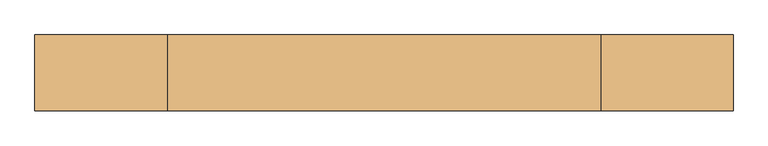
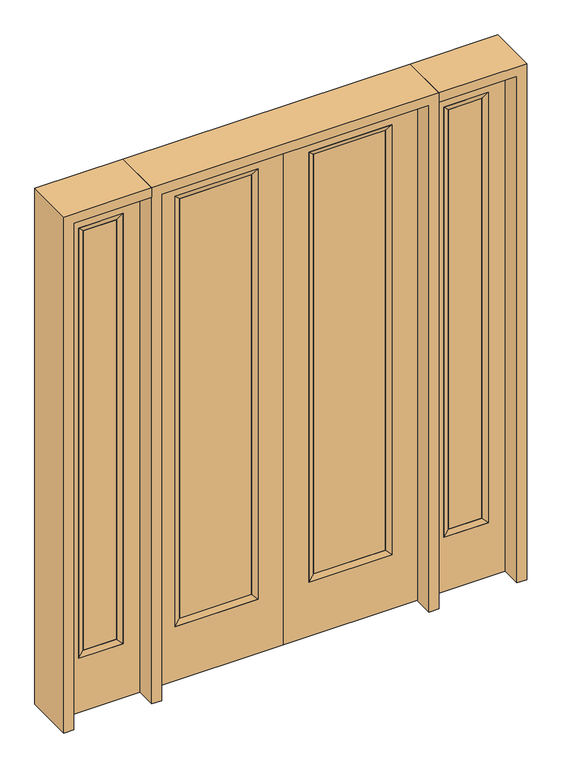
"""IFC4 building model written with IfcOpenShell, lengths in millimetres: door geometry."""

from ifc_helpers import new_model, si_unit, frame, origin, place, context, project, spatial, polyline, outline, extrude, faceted_brep, source, transform, mapped, element, save


def door_573c15c6(model_context):
    return source(origin(), model_context, "Body", "SolidModel", [
        extrude(outline(polyline([(140.8176, -12.7039749), (140.8176, 14.2875), (468.7824, 14.2875), (468.7824, -12.7039749), (140.8176, -12.7039749)])), frame((0.0, 0.0, 285.75), z_axis=(0.0, 0.0, 1.0), x_axis=(1.0, 0.0, 0.0)), (0.0, 0.0, 1.0), 2019.3),
        faceted_brep([(140.8176, 14.2875, 2305.05), (140.8176, 14.2875, 285.75), (115.4176, 22.225, 260.35), (115.4176, 22.225, 2330.45), (115.4176, -22.225, 260.35), (115.4176, -22.225, 2330.45), (468.7824, 14.2875, 285.75), (494.1824, 22.225, 260.35), (140.8176, -12.7039749, 2305.05), (140.8176, -12.7039749, 285.75), (468.7824, -12.7039749, 285.75), (494.1824, -22.225, 260.35), (468.7824, 14.2875, 2305.05), (494.1824, 22.225, 2330.45), (468.7824, -12.7039749, 2305.05), (494.1824, -22.225, 2330.45)], [[[0, 1, 2, 3]], [[3, 2, 4, 5]], [[1, 6, 7, 2]], [[8, 9, 1, 0]], [[9, 10, 6, 1]], [[5, 4, 9, 8]], [[4, 11, 10, 9]], [[2, 7, 11, 4]], [[6, 12, 13, 7]], [[10, 14, 12, 6]], [[11, 15, 14, 10]], [[7, 13, 15, 11]], [[12, 0, 3, 13]], [[14, 8, 0, 12]], [[15, 5, 8, 14]], [[13, 3, 5, 15]]]),
        extrude(outline(polyline([(0.0, 609.6), (2438.4, 609.6), (2438.4, 0.0), (0.0, 0.0), (0.0, 609.6)]), holes=[polyline([(260.35, 494.1824), (260.35, 115.4176), (2330.45, 115.4176), (2330.45, 494.1824), (260.35, 494.1824)])]), frame((0.0, -22.225, 0.0), z_axis=(0.0, 1.0, 0.0), x_axis=(0.0, 0.0, 1.0)), (0.0, 0.0, 1.0), 44.45),
        extrude(outline(polyline([(-140.8176, -12.7039749), (-468.7824, -12.7039749), (-468.7824, 14.2875), (-140.8176, 14.2875), (-140.8176, -12.7039749)])), frame((0.0, 0.0, 285.75), z_axis=(0.0, 0.0, 1.0), x_axis=(1.0, 0.0, 0.0)), (0.0, 0.0, 1.0), 2019.3),
        faceted_brep([(-140.8176, 14.2875, 2305.05), (-115.4176, 22.225, 2330.45), (-115.4176, 22.225, 260.35), (-140.8176, 14.2875, 285.75), (-115.4176, -22.225, 2330.45), (-115.4176, -22.225, 260.35), (-494.1824, 22.225, 260.35), (-468.7824, 14.2875, 285.75), (-140.8176, -12.7039749, 2305.05), (-140.8176, -12.7039749, 285.75), (-468.7824, -12.7039749, 285.75), (-494.1824, -22.225, 260.35), (-494.1824, 22.225, 2330.45), (-468.7824, 14.2875, 2305.05), (-468.7824, -12.7039749, 2305.05), (-494.1824, -22.225, 2330.45)], [[[0, 1, 2, 3]], [[1, 4, 5, 2]], [[3, 2, 6, 7]], [[8, 0, 3, 9]], [[9, 3, 7, 10]], [[4, 8, 9, 5]], [[5, 9, 10, 11]], [[2, 5, 11, 6]], [[7, 6, 12, 13]], [[10, 7, 13, 14]], [[11, 10, 14, 15]], [[6, 11, 15, 12]], [[13, 12, 1, 0]], [[14, 13, 0, 8]], [[15, 14, 8, 4]], [[12, 15, 4, 1]]]),
        extrude(outline(polyline([(0.0, -609.6), (0.0, 0.0), (2438.4, 0.0), (2438.4, -609.6), (0.0, -609.6)]), holes=[polyline([(260.35, -494.1824), (2330.45, -494.1824), (2330.45, -115.4176), (260.35, -115.4176), (260.35, -494.1824)])]), frame((0.0, -22.225, 0.0), z_axis=(0.0, 1.0, 0.0), x_axis=(0.0, 0.0, 1.0)), (0.0, 0.0, 1.0), 44.45),
        faceted_brep([(730.25, 20.6375, 2330.45), (730.25, 20.6375, 260.35), (730.25, -20.6375, 260.35), (730.25, -20.6375, 2330.45), (755.65, -12.7, 285.75), (755.65, -12.7, 2305.05), (933.45, 20.6375, 260.35), (933.45, -20.6375, 260.35), (755.65, 12.7, 2305.05), (755.65, 12.7, 285.75), (908.05, 12.7, 285.75), (908.05, -12.7, 285.75), (933.45, 20.6375, 2330.45), (933.45, -20.6375, 2330.45), (908.05, 12.7, 2305.05), (908.05, -12.7, 2305.05)], [[[0, 1, 2, 3]], [[3, 2, 4, 5]], [[1, 6, 7, 2]], [[8, 9, 1, 0]], [[9, 10, 6, 1]], [[5, 4, 9, 8]], [[4, 11, 10, 9]], [[2, 7, 11, 4]], [[6, 12, 13, 7]], [[10, 14, 12, 6]], [[11, 15, 14, 10]], [[7, 13, 15, 11]], [[12, 0, 3, 13]], [[14, 8, 0, 12]], [[15, 5, 8, 14]], [[13, 3, 5, 15]]]),
        extrude(outline(polyline([(0.0, 1009.65), (2438.4, 1009.65), (2438.4, 654.05), (0.0, 654.05), (0.0, 1009.65)]), holes=[polyline([(2330.45, 730.25), (2330.45, 933.45), (260.35, 933.45), (260.35, 730.25), (2330.45, 730.25)])]), frame((0.0, -20.6375, 0.0), z_axis=(0.0, 1.0, 0.0), x_axis=(0.0, 0.0, 1.0)), (0.0, 0.0, 1.0), 41.275),
        extrude(outline(polyline([(755.65, -12.7), (755.65, 12.7), (908.05, 12.7), (908.05, -12.7), (755.65, -12.7)])), frame((0.0, 0.0, 285.75), z_axis=(0.0, 0.0, 1.0), x_axis=(1.0, 0.0, 0.0)), (0.0, 0.0, 1.0), 2019.3),
        faceted_brep([(-730.25, 20.6375, 2330.45), (-730.25, -20.6375, 2330.45), (-730.25, -20.6375, 260.35), (-730.25, 20.6375, 260.35), (-755.65, -12.7, 2305.05), (-755.65, -12.7, 285.75), (-933.45, -20.6375, 260.35), (-933.45, 20.6375, 260.35), (-755.65, 12.7, 2305.05), (-755.65, 12.7, 285.75), (-908.05, 12.7, 285.75), (-908.05, -12.7, 285.75), (-933.45, -20.6375, 2330.45), (-933.45, 20.6375, 2330.45), (-908.05, 12.7, 2305.05), (-908.05, -12.7, 2305.05)], [[[0, 1, 2, 3]], [[1, 4, 5, 2]], [[3, 2, 6, 7]], [[8, 0, 3, 9]], [[9, 3, 7, 10]], [[4, 8, 9, 5]], [[5, 9, 10, 11]], [[2, 5, 11, 6]], [[7, 6, 12, 13]], [[10, 7, 13, 14]], [[11, 10, 14, 15]], [[6, 11, 15, 12]], [[13, 12, 1, 0]], [[14, 13, 0, 8]], [[15, 14, 8, 4]], [[12, 15, 4, 1]]]),
        extrude(outline(polyline([(0.0, -1009.65), (0.0, -654.05), (2438.4, -654.05), (2438.4, -1009.65), (0.0, -1009.65)]), holes=[polyline([(2330.45, -730.25), (260.35, -730.25), (260.35, -933.45), (2330.45, -933.45), (2330.45, -730.25)])]), frame((0.0, -20.6375, 0.0), z_axis=(0.0, 1.0, 0.0), x_axis=(0.0, 0.0, 1.0)), (0.0, 0.0, 1.0), 41.275),
        extrude(outline(polyline([(-755.65, -12.7), (-908.05, -12.7), (-908.05, 12.7), (-755.65, 12.7), (-755.65, -12.7)])), frame((0.0, 0.0, 285.75), z_axis=(0.0, 0.0, 1.0), x_axis=(1.0, 0.0, 0.0)), (0.0, 0.0, 1.0), 2019.3),
        extrude(outline(polyline([(2438.4, -654.05), (2482.85, -654.05), (2482.85, -1054.1), (0.0, -1054.1), (0.0, -1009.65), (2438.4, -1009.65), (2438.4, -654.05)])), frame((0.0, -114.3, 0.0), z_axis=(0.0, 1.0, 0.0), x_axis=(0.0, 0.0, 1.0)), (0.0, 0.0, 1.0), 228.6),
        extrude(outline(polyline([(2482.85, -654.05), (0.0, -654.05), (0.0, -609.6), (2438.4, -609.6), (2438.4, 609.6), (0.0, 609.6), (0.0, 654.05), (2482.85, 654.05), (2482.85, -654.05)])), frame((0.0, -114.3, 0.0), z_axis=(0.0, 1.0, 0.0), x_axis=(0.0, 0.0, 1.0)), (0.0, 0.0, 1.0), 228.6),
        extrude(outline(polyline([(0.0, 1009.65), (0.0, 1054.1), (2482.85, 1054.1), (2482.85, 654.05), (2438.4, 654.05), (2438.4, 1009.65), (0.0, 1009.65)])), frame((0.0, -114.3, 0.0), z_axis=(0.0, 1.0, 0.0), x_axis=(0.0, 0.0, 1.0)), (0.0, 0.0, 1.0), 228.6),
    ])


if __name__ == "__main__":
    model = new_model("IFC4")
    model_context = context("Model", 3, world=origin())
    ifc_project = project(units=[si_unit("LENGTHUNIT", "METRE", prefix="MILLI")], contexts=[model_context])
    site = spatial("IfcSite", under=ifc_project)
    building = spatial("IfcBuilding", under=site)
    placement = place(None, origin())
    door_shape = door_573c15c6(model_context)
    element("IfcDoor", 1, at=placement, inside=building, context=model_context, shape_type="MappedRepresentation", body=[
        mapped(door_shape, transform((0.0, 0.0, 0.0), x_axis=(1.0, 0.0, 0.0), y_axis=(0.0, 1.0, 0.0), z_axis=(0.0, 0.0, 1.0))),
    ])
    save(model, "model.ifc")
